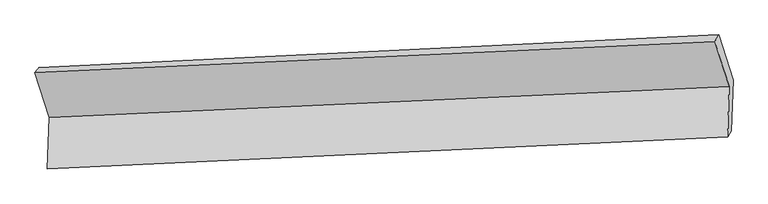
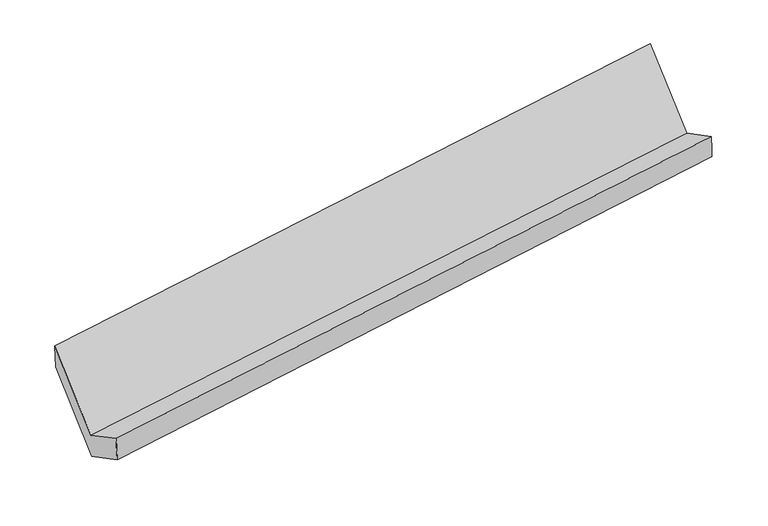
"""IFC4 building model written with IfcOpenShell, lengths in millimetres: proxy geometry."""

from ifc_helpers import new_model, si_unit, frame, origin, place, context, project, spatial, source, transform, mapped, element, save
from ifc_brep_helpers import plane_surface, spline_surface, advanced_brep


def generic_models_6984b397(model_context):
    return source(origin(), model_context, "Body", "AdvancedBrep", [
        advanced_brep(
        [(-5172.5609105, -1618.5300811, 1438.1083965), (-5183.9071024, -1971.7255943, 1628.6124852), (-515.427566, -1749.6646572, 2297.2901146), (-504.3639996, -1405.2669887, 2111.5313449), (-5155.8790259, -1938.5779136, 1426.2614886), (-488.8896453, -1711.7857249, 2103.6221297), (-5144.532834, -1585.3824004, 1235.7573998), (-477.5434534, -1358.5902118, 1913.118041), (-5242.0641909, -1275.7198895, 1804.0643621), (-575.0748103, -1048.9277008, 2481.4250033), (-5270.0922674, -1308.8675702, 2006.4153588), (-601.8953565, -1095.6044778, 2679.8383071)],
        [
            (0, 1),
            (1, 2),
            (2, 3),
            (3, 0),
            (1, 4),
            (4, 5),
            (5, 2),
            (4, 6),
            (6, 7),
            (7, 5),
            (6, 8),
            (8, 9),
            (9, 7),
            (8, 10),
            (10, 11),
            (11, 9),
            (10, 0),
            (3, 11),
        ],
        [
            plane_surface(frame((-5178.2340065, -1795.1278377, 1533.3604409), z_axis=(-0.14692170754815953, 0.4732218952667997, 0.8686052323646407), x_axis=(-0.028262542861642495, -0.8797844650436158, 0.47453189960097797))),
            spline_surface(1, 1, [[(-5183.9071024, -1971.7255943, 1628.6124852), (-515.427566, -1749.6646572, 2297.2901146)], [(-5155.8790259, -1938.5779136, 1426.2614886), (-488.8896453, -1711.7857249, 2103.6221297)]], [2, 2], [2, 2], [0.0, 1.0], [0.0, 1.0]),
            plane_surface(frame((-5150.20593, -1761.980157, 1331.0094442), z_axis=(0.14901558108657725, -0.4731251616980488, -0.8683011792930061), x_axis=(0.02826254286164246, 0.8797844650436155, -0.4745318996009785))),
            plane_surface(frame((-5193.2985125, -1430.551145, 1519.910881), z_axis=(0.02616894017905659, 0.8796846968227731, -0.47483683591917214), x_axis=(-0.14901558108657426, 0.4731251616980535, 0.8683011792930039))),
            spline_surface(1, 1, [[(-5242.0641909, -1275.7198895, 1804.0643621), (-575.0748103, -1048.9277008, 2481.4250033)], [(-5270.0922674, -1308.8675702, 2006.4153588), (-601.8953565, -1095.6044778, 2679.8383071)]], [2, 2], [2, 2], [0.0, 1.0], [0.0, 1.0]),
            plane_surface(frame((-5221.326589, -1463.6988257, 1722.2618776), z_axis=(-0.02826254286164233, -0.879784465043619, 0.4745318996009722), x_axis=(0.14901558108656762, -0.4731251616980429, -0.8683011792930109))),
            plane_surface(frame((-527.1991385, -1394.9732935, 2264.4708234), z_axis=(0.9884308702506347, 0.04617224746657643, 0.1444733134508179), x_axis=(-0.13045854906975077, -0.22704178244341408, 0.9651075567000462))),
            plane_surface(frame((-5194.8393885, -1616.4672415, 1589.8699152), z_axis=(-0.9884308702506346, -0.04617224746657276, -0.14447331345081993), x_axis=(-0.14901558108656762, 0.4731251616980429, 0.8683011792930109))),
        ],
        [
            (0, [[1, 2, 3, 4]]),
            (1, [[5, 6, 7, -2]]),
            (2, [[8, 9, 10, -6]]),
            (3, [[11, 12, 13, -9]]),
            (4, [[14, 15, 16, -12]]),
            (5, [[17, -4, 18, -15]]),
            (6, [[-16, -18, -3, -7, -10, -13]]),
            (7, [[-17, -14, -11, -8, -5, -1]]),
        ],
    ),
    ])


if __name__ == "__main__":
    model = new_model("IFC4")
    model_context = context("Model", 3, world=origin())
    ifc_project = project(units=[si_unit("LENGTHUNIT", "METRE", prefix="MILLI")], contexts=[model_context])
    site = spatial("IfcSite", under=ifc_project)
    building = spatial("IfcBuilding", under=site)
    placement = place(None, origin())
    generic_models_shape = generic_models_6984b397(model_context)
    element("IfcBuildingElementProxy", 1, Name="Generic Models", at=placement, inside=building, context=model_context, shape_type="MappedRepresentation", body=[
        mapped(generic_models_shape, transform((0.0, 0.0, 0.0), x_axis=(1.0, 0.0, 0.0), y_axis=(0.0, 1.0, 0.0), z_axis=(0.0, 0.0, 1.0))),
    ])
    save(model, "model.ifc")
